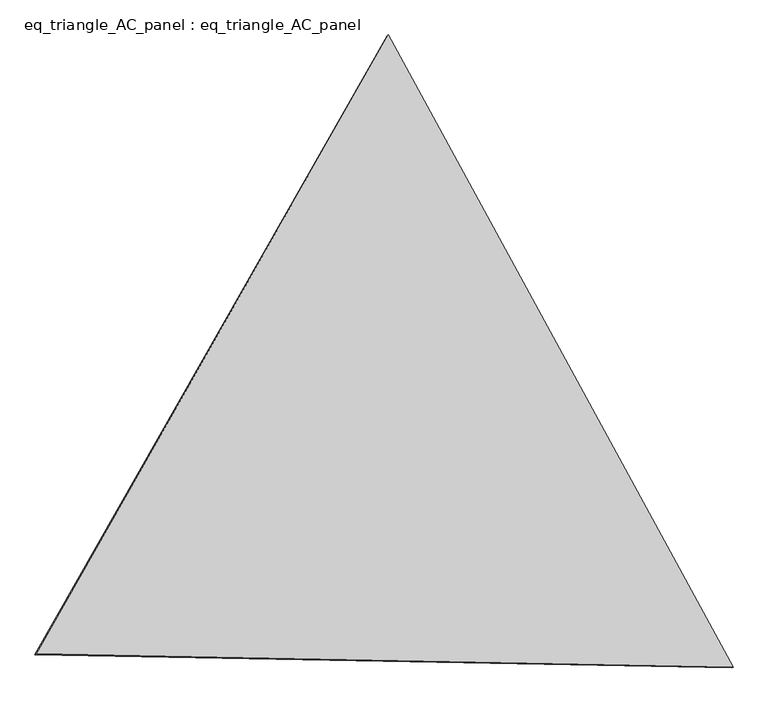
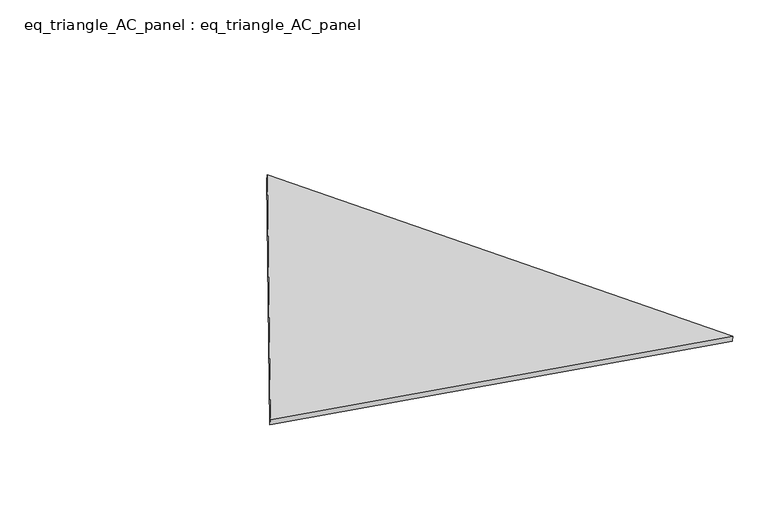
"""IFC4 building model written with IfcOpenShell, lengths in millimetres: proxy geometry, eq_triangle_AC_panel : eq_triangle_AC_panel."""

import ifcopenshell
import ifcopenshell.guid

model = None  # the IFC model being written
_history = None  # IfcOwnerHistory: only IFC2X3 demands one
_inside = {}  # id of a spatial element -> (the spatial element, [elements in it])
_under = {}  # id of a project, library or spatial element -> (it, [spatial elements below it])
_declared = {}  # id of a project -> (the project, [libraries it declares])
_typed = {}  # id of a type object -> (the type object, [elements of that type])
_made_of = {}  # id of a material, layer set ... -> (it, [elements and type objects made of it])


def new_model(schema):
    """Start an empty IFC model of exactly this schema.

    Asked for "IFC4X3", IfcOpenShell would pick the latest addendum, in which some entities
    have other attributes; the version numbers below select the first issue.
    IFC2X3 requires an IfcOwnerHistory on every rooted entity: one is made here for all.
    """
    global model, _history
    if schema == "IFC4X3":
        model = ifcopenshell.file(schema_version=(4, 3, 0, 0))
    else:
        model = ifcopenshell.file(schema=schema)
    _inside.clear()
    _under.clear()
    _declared.clear()
    _typed.clear()
    _made_of.clear()
    _history = None
    if model.schema == "IFC2X3":
        org = make("IfcOrganization", Name="unknown")
        user = make(
            "IfcPersonAndOrganization",
            ThePerson=make("IfcPerson", FamilyName="unknown"),
            TheOrganization=org,
        )
        app = make(
            "IfcApplication",
            ApplicationDeveloper=org,
            Version="unknown",
            ApplicationFullName="unknown",
            ApplicationIdentifier="unknown",
        )
        _history = make(
            "IfcOwnerHistory",
            OwningUser=user,
            OwningApplication=app,
            ChangeAction="ADDED",
            CreationDate=0,
        )
    return model


def make(cls, **values):
    """One entity of the class cls with the attributes given. An attribute that is None is left unset."""
    return model.create_entity(
        cls, **{name: value for name, value in values.items() if value is not None}
    )


def rooted(cls, **values):
    """An entity with a GlobalId (a new one), such as an element, a storey or a relation."""
    return make(cls, GlobalId=ifcopenshell.guid.new(), OwnerHistory=_history, **values)


def si_unit(unit_type, name, prefix=None):
    """IfcSIUnit, for example si_unit("LENGTHUNIT", "METRE", prefix="MILLI")."""
    return make("IfcSIUnit", UnitType=unit_type, Prefix=prefix, Name=name)


def assignment(units):
    """IfcUnitAssignment: the units of a project."""
    return None if units is None else make("IfcUnitAssignment", Units=units)


def point(xyz):
    """IfcCartesianPoint."""
    return None if xyz is None else make("IfcCartesianPoint", Coordinates=xyz)


def direction(xyz):
    """IfcDirection."""
    return None if xyz is None else make("IfcDirection", DirectionRatios=xyz)


def frame(location, z_axis=None, x_axis=None):
    """IfcAxis2Placement3D, a coordinate frame: its origin and axes. An axis left out is left unset."""
    return make(
        "IfcAxis2Placement3D",
        Location=point(location),
        Axis=direction(z_axis),
        RefDirection=direction(x_axis),
    )


def origin():
    """The frame at (0, 0, 0) with its axes left unset."""
    return frame((0.0, 0.0, 0.0))


def place(relative_to, where):
    """IfcLocalPlacement: puts the frame where relative to a parent placement (None: the world)."""
    return make(
        "IfcLocalPlacement", PlacementRelTo=relative_to, RelativePlacement=where
    )


def context(
    kind, dimensions, precision=None, world=None, true_north=None, identifier=None
):
    """IfcGeometricRepresentationContext, for example the 3D "Model" context."""
    return make(
        "IfcGeometricRepresentationContext",
        ContextIdentifier=identifier,
        ContextType=kind,
        CoordinateSpaceDimension=dimensions,
        Precision=precision,
        WorldCoordinateSystem=world,
        TrueNorth=true_north,
    )


def project(units=None, contexts=None):
    """IfcProject with its units and contexts."""
    return rooted(
        "IfcProject",
        Name="project",
        RepresentationContexts=contexts,
        UnitsInContext=assignment(units),
    )


def spatial(cls, under=None, at=None, **own):
    """A site, building, storey or space (cls), placed at a placement, below another one or the project."""
    s = rooted(cls, ObjectPlacement=at, **own)
    if under is not None:
        _under.setdefault(under.id(), (under, []))[1].append(s)
    return s


def polyline(points):
    """IfcPolyline through the points."""
    return make("IfcPolyline", Points=[point(p) for p in points])


def outline(outer, holes=None, kind="AREA"):
    """IfcArbitraryClosedProfileDef: a profile drawn as a closed curve; with holes, ...WithVoids."""
    if holes is None:
        return make("IfcArbitraryClosedProfileDef", ProfileType=kind, OuterCurve=outer)
    return make(
        "IfcArbitraryProfileDefWithVoids",
        ProfileType=kind,
        OuterCurve=outer,
        InnerCurves=holes,
    )


def extrude(swept, where, along, depth):
    """IfcExtrudedAreaSolid: the profile swept, set in the frame where, extruded along a direction by depth."""
    return make(
        "IfcExtrudedAreaSolid",
        SweptArea=swept,
        Position=where,
        ExtrudedDirection=direction(along),
        Depth=depth,
    )


def shape(context_of_items, identifier, shape_type, items):
    """IfcShapeRepresentation: the items that make up one representation, for example the "Body"."""
    return make(
        "IfcShapeRepresentation",
        ContextOfItems=context_of_items,
        RepresentationIdentifier=identifier,
        RepresentationType=shape_type,
        Items=items,
    )


def source(mapping_origin, context_of_items, identifier, shape_type, items):
    """IfcRepresentationMap: a shape defined once, which mapped items show again and again."""
    return make(
        "IfcRepresentationMap",
        MappingOrigin=mapping_origin,
        MappedRepresentation=shape(context_of_items, identifier, shape_type, items),
    )


def transform(
    local_origin,
    x_axis=None,
    y_axis=None,
    z_axis=None,
    scale=None,
    scale2=None,
    scale3=None,
    uniform=True,
):
    """IfcCartesianTransformationOperator3D, or its non-uniform kind. x_axis, y_axis, z_axis: its Axis1, 2, 3."""
    if uniform:
        return make(
            "IfcCartesianTransformationOperator3D",
            Axis1=direction(x_axis),
            Axis2=direction(y_axis),
            LocalOrigin=point(local_origin),
            Scale=scale,
            Axis3=direction(z_axis),
        )
    return make(
        "IfcCartesianTransformationOperator3DnonUniform",
        Axis1=direction(x_axis),
        Axis2=direction(y_axis),
        LocalOrigin=point(local_origin),
        Scale=scale,
        Axis3=direction(z_axis),
        Scale2=scale2,
        Scale3=scale3,
    )


def mapped(mapping_source, mapping_target):
    """IfcMappedItem: shows the shape of a source again, moved by a transform."""
    return make(
        "IfcMappedItem", MappingSource=mapping_source, MappingTarget=mapping_target
    )


def made_of(thing, what):
    """Note that an element or type object is made of a material, layer set ...; save() writes the relation."""
    if what is not None:
        _made_of.setdefault(what.id(), (what, []))[1].append(thing)
    return thing


def element(
    cls,
    number,
    at=None,
    inside=None,
    cuts=None,
    type_object=None,
    material=None,
    context=None,
    identifier="Body",
    shape_type=None,
    held_by="IfcProductDefinitionShape",
    body=None,
    shapes=None,
    **own,
):
    """One element of the class cls, such as IfcWall. Its Tag is "e" and its number.

    at: its placement. inside: the storey or other place that contains it. cuts: it is an
    opening in that element (IfcRelVoidsElement). A single representation is given by context,
    identifier, shape_type and body (its items); several are given by shapes. held_by: the class
    of the entity that holds the representations. save() writes the other relations.
    """
    e = rooted(cls, Tag="e%d" % number, ObjectPlacement=at, **own)
    if body is not None:
        shapes = [shape(context, identifier, shape_type, body)]
    if shapes is not None:
        e.Representation = make(held_by, Representations=shapes)
    if inside is not None:
        _inside.setdefault(inside.id(), (inside, []))[1].append(e)
    if cuts is not None:
        rooted(
            "IfcRelVoidsElement", RelatingBuildingElement=cuts, RelatedOpeningElement=e
        )
    if type_object is not None:
        _typed.setdefault(type_object.id(), (type_object, []))[1].append(e)
    return made_of(e, material)


def aggregate(whole, parts):
    """IfcRelAggregates: a whole, such as a stair, and the parts it consists of."""
    return rooted("IfcRelAggregates", RelatingObject=whole, RelatedObjects=parts)


def save(model, path):
    """Write the relations noted so far, then the file.

    IfcRelAggregates (storeys below a building ...), IfcRelContainedInSpatialStructure (elements
    in a storey), IfcRelDefinesByType, IfcRelAssociatesMaterial and IfcRelDeclares: one each for
    every whole, place, type object, material and project.
    """
    for whole, parts in _under.values():
        aggregate(whole, parts)
    for where, things in _inside.values():
        rooted(
            "IfcRelContainedInSpatialStructure",
            RelatedElements=things,
            RelatingStructure=where,
        )
    for kind, things in _typed.values():
        rooted("IfcRelDefinesByType", RelatedObjects=things, RelatingType=kind)
    for what, things in _made_of.values():
        rooted("IfcRelAssociatesMaterial", RelatedObjects=things, RelatingMaterial=what)
    for by, libraries in _declared.values():
        rooted("IfcRelDeclares", RelatingContext=by, RelatedDefinitions=libraries)
    model.write(path)


def eq_triangle_ac_panel_eq_triangle_ac_panel_3e374d6f(model_context):
    return source(origin(), model_context, "Body", "SweptSolid", [
        extrude(outline(polyline([(-2091.2842303, 1173.1700195), (2032.8306628, 1173.1700196), (58.4535673, -2346.3400391), (-2091.2842303, 1173.1700195)])), frame((0.0038051, 527.9290861, 89.8240019), z_axis=(0.1452632851805822, 0.08386570281802187, 0.9858321976225894), x_axis=(0.4785849977997705, -0.8780313029551234, 0.004175034361775083)), (0.0, 0.0, 1.0), 43.8306294),
    ])


if __name__ == "__main__":
    model = new_model("IFC4")
    model_context = context("Model", 3, world=origin())
    ifc_project = project(units=[si_unit("LENGTHUNIT", "METRE", prefix="MILLI")], contexts=[model_context])
    site = spatial("IfcSite", under=ifc_project)
    building = spatial("IfcBuilding", under=site)
    placement = place(None, origin())
    eq_triangle_ac_panel_eq_triangle_ac_panel_shape = eq_triangle_ac_panel_eq_triangle_ac_panel_3e374d6f(model_context)
    element("IfcBuildingElementProxy", 1, Name="eq_triangle_AC_panel : eq_triangle_AC_panel", ObjectType="eq_triangle_AC_panel : eq_triangle_AC_panel", at=placement, inside=building, context=model_context, shape_type="MappedRepresentation", body=[
        mapped(eq_triangle_ac_panel_eq_triangle_ac_panel_shape, transform((0.0, 0.0, 0.0), x_axis=(1.0, 0.0, 0.0), y_axis=(0.0, 1.0, 0.0), z_axis=(0.0, 0.0, 1.0))),
    ])
    save(model, "model.ifc")
